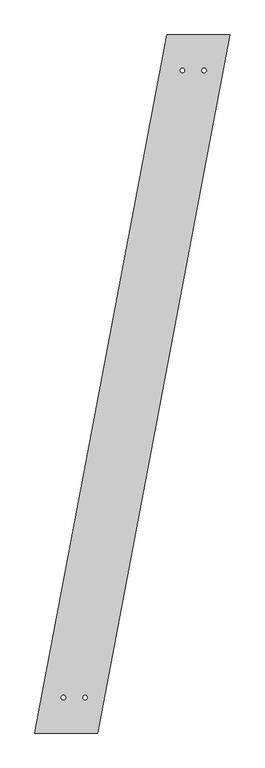
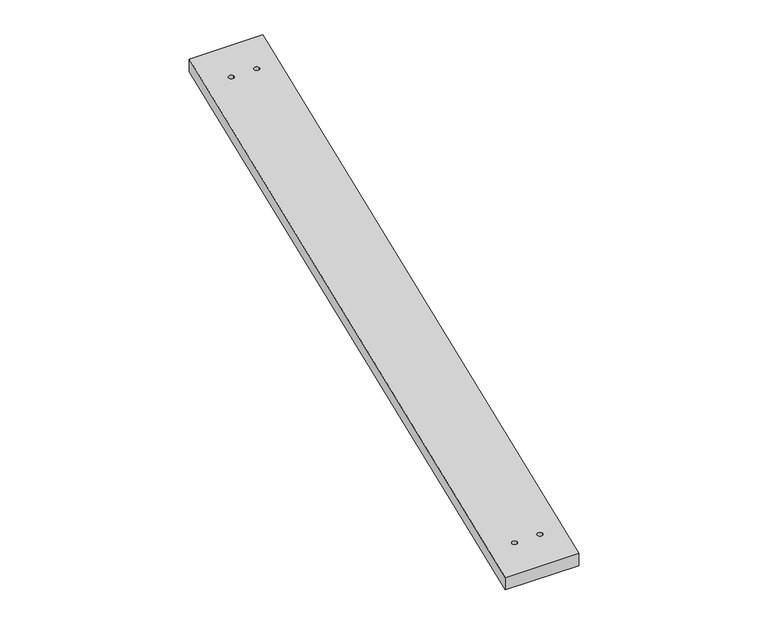
"""IFC4 building model written with IfcOpenShell, lengths in millimetres: proxy geometry."""

from ifc_helpers import new_model, si_unit, point, frame_2d, origin, origin_with_axes, place, context, project, spatial, polyline, circle_curve, trimmed, segment, composite_curve, outline, extrude, source, transform, mapped, element, save


def generic_models_836d6333(model_context):
    return source(origin(), model_context, "Body", "SweptSolid", [
        extrude(outline(polyline([(588.8740998, 3104.646082), (868.8740998, 3104.646082), (280.0, 0.0), (0.0, 0.0), (588.8740998, 3104.646082)]), holes=[composite_curve([segment(trimmed(circle_curve(frame_2d((657.2594171, 2946.646082)), 10.0), [point((647.2594171, 2946.646082))], [point((667.2594171, 2946.646082))], True, "CARTESIAN"), True, "CONTINUOUS"), segment(trimmed(circle_curve(frame_2d((657.2594171, 2946.646082)), 10.0), [point((667.2594171, 2946.646082))], [point((647.2594171, 2946.646082))], True, "CARTESIAN"), True, "CONTINUOUS")], self_intersect=False), composite_curve([segment(trimmed(circle_curve(frame_2d((753.9866898, 2946.646082)), 10.0), [point((743.9866898, 2946.646082))], [point((763.9866898, 2946.646082))], True, "CARTESIAN"), True, "CONTINUOUS"), segment(trimmed(circle_curve(frame_2d((753.9866898, 2946.646082)), 10.0), [point((763.9866898, 2946.646082))], [point((743.9866898, 2946.646082))], True, "CARTESIAN"), True, "CONTINUOUS")], self_intersect=False), composite_curve([segment(trimmed(circle_curve(frame_2d((127.2727273, 158.0)), 10.0), [point((117.2727273, 158.0))], [point((137.2727273, 158.0))], True, "CARTESIAN"), True, "CONTINUOUS"), segment(trimmed(circle_curve(frame_2d((127.2727273, 158.0)), 10.0), [point((137.2727273, 158.0))], [point((117.2727273, 158.0))], True, "CARTESIAN"), True, "CONTINUOUS")], self_intersect=False), composite_curve([segment(trimmed(circle_curve(frame_2d((224.0, 158.0)), 10.0), [point((214.0, 158.0))], [point((234.0, 158.0))], True, "CARTESIAN"), True, "CONTINUOUS"), segment(trimmed(circle_curve(frame_2d((224.0, 158.0)), 10.0), [point((234.0, 158.0))], [point((214.0, 158.0))], True, "CARTESIAN"), True, "CONTINUOUS")], self_intersect=False)]), origin_with_axes(), (0.0, 0.0, 1.0), 50.0),
    ])


if __name__ == "__main__":
    model = new_model("IFC4")
    model_context = context("Model", 3, world=origin())
    ifc_project = project(units=[si_unit("LENGTHUNIT", "METRE", prefix="MILLI")], contexts=[model_context])
    site = spatial("IfcSite", under=ifc_project)
    building = spatial("IfcBuilding", under=site)
    placement = place(None, origin())
    generic_models_shape = generic_models_836d6333(model_context)
    element("IfcBuildingElementProxy", 1, Name="Generic Models", at=placement, inside=building, context=model_context, shape_type="MappedRepresentation", body=[
        mapped(generic_models_shape, transform((0.0, 0.0, 0.0), x_axis=(1.0, 0.0, 0.0), y_axis=(0.0, 1.0, 0.0), z_axis=(0.0, 0.0, 1.0))),
    ])
    save(model, "model.ifc")
